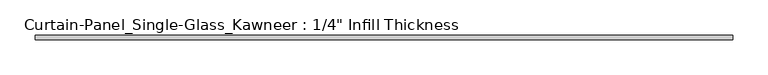
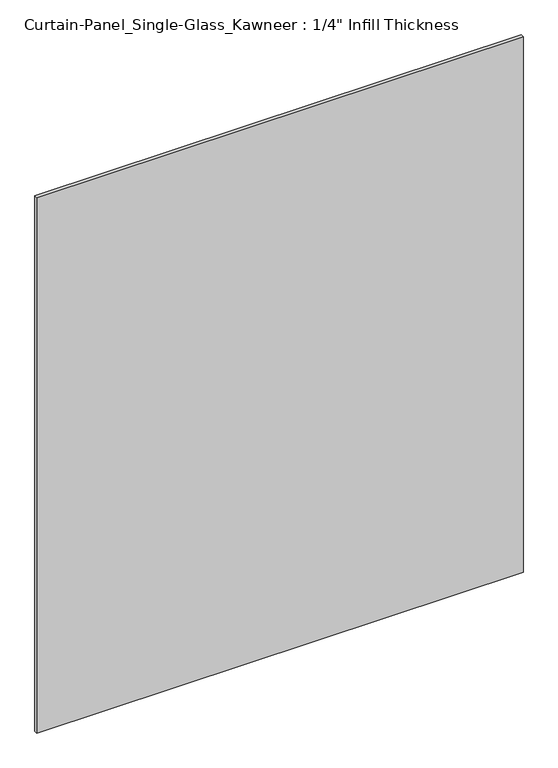
"""IFC4 building model written with IfcOpenShell, lengths in millimetres: plate geometry."""

from ifc_helpers import new_model, si_unit, origin, origin_with_axes, place, context, project, spatial, polyline, outline, extrude, source, transform, mapped, element, save


def plate_030d1249(model_context):
    return source(origin(), model_context, "Body", "SweptSolid", [
        extrude(outline(polyline([(496.57, -3.175), (-496.57, -3.175), (-496.57, 3.175), (496.57, 3.175), (496.57, -3.175)])), origin_with_axes(), (0.0, 0.0, 1.0), 1155.7),
    ])


if __name__ == "__main__":
    model = new_model("IFC4")
    model_context = context("Model", 3, world=origin())
    ifc_project = project(units=[si_unit("LENGTHUNIT", "METRE", prefix="MILLI")], contexts=[model_context])
    site = spatial("IfcSite", under=ifc_project)
    building = spatial("IfcBuilding", under=site)
    placement = place(None, origin())
    plate_shape = plate_030d1249(model_context)
    element("IfcPlate", 1, ObjectType="Curtain-Panel_Single-Glass_Kawneer : 1/4\" Infill Thickness", at=placement, inside=building, context=model_context, shape_type="MappedRepresentation", body=[
        mapped(plate_shape, transform((0.0, 0.0, 0.0), x_axis=(1.0, 0.0, 0.0), y_axis=(0.0, 1.0, 0.0), z_axis=(0.0, 0.0, 1.0))),
    ])
    save(model, "model.ifc")
